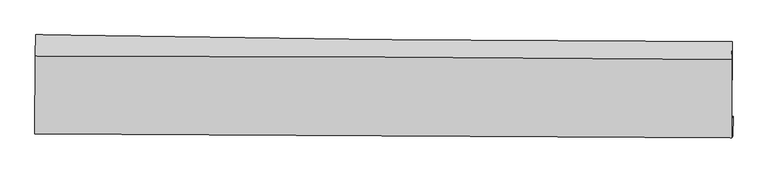
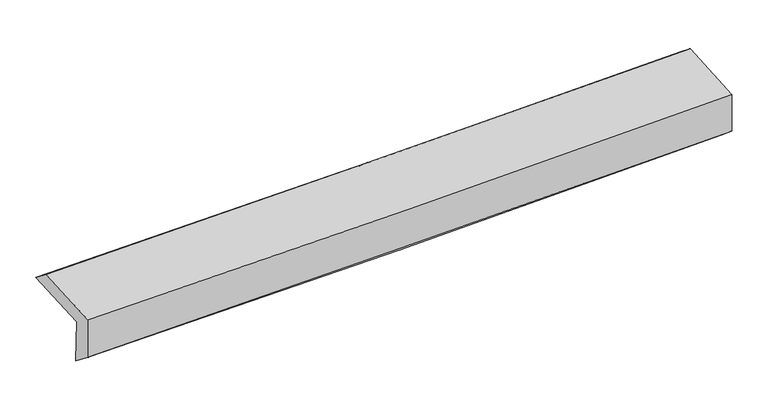
"""IFC4 building model written with IfcOpenShell, lengths in millimetres: proxy geometry."""

from ifc_helpers import new_model, si_unit, frame, origin, place, context, project, spatial, source, transform, mapped, element, save
from ifc_brep_helpers import plane_surface, spline_curve, spline_surface, advanced_brep


def generic_models_be3de0e1(model_context):
    return source(origin(), model_context, "Body", "AdvancedBrep", [
        advanced_brep(
        [(-3030.7342124, -1763.6261133, 1939.398087), (-3029.0234486, -1089.9232612, 1973.6542859), (3013.2465338, -1149.1686209, 2143.4541122), (3012.4033572, -1825.0941847, 2100.3857258), (-3020.4738994, -1733.1574389, 1529.7049298), (3022.3416091, -1797.7123036, 1703.3096743), (-3025.1147907, -1933.9730755, 1686.324129), (3018.1512039, -1971.4595021, 1852.2515688), (-3034.8455045, -1951.4194445, 2076.6268243), (3008.8490201, -1987.9777202, 2224.9521724), (-3033.3447832, -1275.4380249, 2119.7152122), (3009.5726438, -1307.4519292, 2273.3589429)],
        [
            (0, 1),
            (1, 2, spline_curve(3, [(-3029.0234486, -1089.9232612, 1973.6542859), (-2021.929124892, -1108.211375648, 1997.883149291), (-1014.861556674, -1122.292542957, 2024.147499294), (999.228438108, -1142.041066297, 2080.747407875), (2006.250863833, -1147.708352007, 2111.082999794), (3013.2465338, -1149.1686209, 2143.4541122)], [4, 2, 4], [0.0, 9.916887721703857, 19.833857852005107])),
            (2, 3),
            (3, 0, spline_curve(3, [(3012.4033572, -1825.0941847, 2100.3857258), (2005.323661075, -1825.66697435, 2066.434293627), (998.186922888, -1820.830986192, 2036.042900246), (-1016.192268052, -1800.341539341, 1982.380413119), (-2023.434719524, -1784.688170326, 1959.109260291), (-3030.7342124, -1763.6261133, 1939.398087)], [4, 2, 4], [0.0, 9.91697013030125, 19.833857852005107])),
            (4, 0),
            (3, 5),
            (5, 4, spline_curve(3, [(3022.3416091, -1797.7123036, 1703.3096743), (2015.320554519, -1798.463734694, 1666.947721259), (1008.239975794, -1793.459831677, 1634.299638203), (-1006.031861605, -1771.94144793, 1576.431451436), (-2013.223118894, -1755.427062551, 1551.211286738), (-3020.4738994, -1733.1574389, 1529.7049298)], [4, 2, 4], [0.0, 9.917613056969287, 19.835143699998554])),
            (6, 4),
            (5, 7),
            (7, 6, spline_curve(3, [(3018.1512039, -1971.4595021, 1852.2515688), (2011.041040444, -1966.371835426, 1819.228090111), (1003.878366263, -1960.704117781, 1788.889017749), (-1010.54363285, -1948.208632537, 1733.579915657), (-2017.802956908, -1941.380874842, 1708.609841315), (-3025.1147907, -1933.9730755, 1686.324129)], [4, 2, 4], [0.0, 9.917528517040939, 19.83497462084437])),
            (8, 6),
            (7, 9),
            (9, 8, spline_curve(3, [(3008.8490201, -1987.9777202, 2224.9521724), (2001.81400117, -1982.735371403, 2188.995067664), (994.653188401, -1977.067659569, 2158.656041447), (-1019.911655194, -1964.881560263, 2109.21435198), (-2027.315683909, -1958.363180336, 2090.111595626), (-3034.8455045, -1951.4194445, 2076.6268243)], [4, 2, 4], [0.0, 9.917523671870393, 19.834964930543542])),
            (10, 8),
            (9, 11),
            (11, 10, spline_curve(3, [(3009.5726438, -1307.4519292, 2273.3589429), (2002.640687256, -1298.128173617, 2238.530420999), (995.59616415, -1290.798467488, 2208.312481746), (-1018.70964682, -1280.127199451, 2157.097981648), (-2025.970932298, -1276.785603881, 2136.101344045), (-3033.3447832, -1275.4380249, 2119.7152122)], [4, 2, 4], [0.0, 9.917008203250216, 19.83393399758666])),
            (1, 10),
            (11, 2),
        ],
        [
            spline_surface(3, 3, [[(-3030.7342124, -1763.6261133, 1939.398087), (-2023.43471964, -1784.688170324, 1959.109260416), (-1016.192267997, -1800.341539247, 1982.380413134), (998.186922833, -1820.830986286, 2036.042900231), (2005.323661027, -1825.666974469, 2066.434293786), (3012.4033572, -1825.0941847, 2100.3857258)], [(-3030.163957786, -1539.058495961, 1950.816819968), (-2022.932854721, -1559.19590544, 1972.033890091), (-1015.748697514, -1574.325207189, 1996.302775244), (998.534094563, -1594.567679595, 2050.944402735), (2005.632728608, -1599.680766978, 2081.317195804), (3012.68441606, -1599.785663436, 2114.741854614)], [(-3029.593703214, -1314.490878539, 1962.235552932), (-2022.430989843, -1333.703640474, 1984.958519761), (-1015.305127052, -1348.308875114, 2010.225137335), (998.881266273, -1368.304372888, 2065.84590522), (2005.94179621, -1373.694559478, 2096.20009778), (3012.96547494, -1374.477142164, 2129.097983386)], [(-3029.0234486, -1089.9232612, 1973.6542859), (-2021.929124925, -1108.21137559, 1997.883149436), (-1014.861556569, -1122.292543056, 2024.147499445), (999.228438003, -1142.041066198, 2080.747407724), (2006.250863792, -1147.708351986, 2111.082999798), (3013.2465338, -1149.1686209, 2143.4541122)]], [4, 4], [4, 2, 4], [0.0, 2.2303045056175153], [0.0, 9.916887721703857, 19.833857852005107]),
            spline_surface(3, 3, [[(-3020.4738994, -1733.1574389, 1529.7049298), (-2013.223118796, -1755.427062441, 1551.211286659), (-1006.031861482, -1771.941447865, 1576.431451593), (1008.239975672, -1793.459831743, 1634.299638046), (2015.320554528, -1798.463734566, 1666.94772126), (3022.3416091, -1797.7123036, 1703.3096743)], [(-3023.894003731, -1743.313663674, 1666.26931554), (-2016.626985742, -1765.180765042, 1687.177277918), (-1009.418663633, -1781.408145001, 1711.747772121), (1004.88895808, -1802.583549932, 1768.214058788), (2011.988256713, -1807.531481196, 1800.109912096), (3019.028858485, -1806.839597295, 1835.668358127)], [(-3027.314108069, -1753.469888526, 1802.83370126), (-2020.030852694, -1774.934467722, 1823.143269157), (-1012.805465846, -1790.874842111, 1847.064092606), (1001.537940425, -1811.707268096, 1902.128479488), (2008.655958842, -1816.599227839, 1933.27210295), (3015.716107815, -1815.966891005, 1968.027041973)], [(-3030.7342124, -1763.6261133, 1939.398087), (-2023.43471964, -1784.688170324, 1959.109260416), (-1016.192267997, -1800.341539247, 1982.380413134), (998.186922833, -1820.830986286, 2036.042900231), (2005.323661027, -1825.666974469, 2066.434293786), (3012.4033572, -1825.0941847, 2100.3857258)]], [4, 4], [4, 2, 4], [0.0, 1.3285231251288763], [0.0, 9.917530643029266, 19.835143699998554]),
            spline_surface(3, 3, [[(-3025.1147907, -1933.9730755, 1686.324129), (-2017.802956961, -1941.380874687, 1708.609841478), (-1010.54363283, -1948.208632584, 1733.579915714), (1003.878366243, -1960.704117734, 1788.889017692), (2011.041040311, -1966.371835418, 1819.228090073), (3018.1512039, -1971.4595021, 1852.2515688)], [(-3023.567826934, -1867.034529965, 1634.11772926), (-2016.27634424, -1879.396270603, 1656.143656532), (-1009.039709072, -1889.452904329, 1681.197094319), (1005.332236028, -1904.956022388, 1737.359224455), (2012.467545048, -1910.402468483, 1768.467967147), (3019.548005631, -1913.543769282, 1802.604270645)], [(-3022.020863166, -1800.095984435, 1581.91132954), (-2014.749731517, -1817.411666524, 1603.677471605), (-1007.53578524, -1830.69717612, 1628.814272989), (1006.786105888, -1849.207927088, 1685.829431283), (2013.894049792, -1854.433101502, 1717.707844186), (3020.944807369, -1855.628036418, 1752.956972455)], [(-3020.4738994, -1733.1574389, 1529.7049298), (-2013.223118796, -1755.427062441, 1551.211286659), (-1006.031861482, -1771.941447865, 1576.431451593), (1008.239975672, -1793.459831743, 1634.299638046), (2015.320554528, -1798.463734566, 1666.94772126), (3022.3416091, -1797.7123036, 1703.3096743)]], [4, 4], [4, 2, 4], [0.0, 0.7610899537298015], [0.0, 9.917446103803432, 19.83497462084437]),
            spline_surface(3, 3, [[(-3034.8455045, -1951.4194445, 2076.6268243), (-2027.315683811, -1958.363180388, 2090.111595518), (-1019.911655216, -1964.881560428, 2109.214352042), (994.653188423, -1977.067659404, 2158.656041385), (2001.814001331, -1982.73537125, 2188.995067534), (3008.8490201, -1987.9777202, 2224.9521724)], [(-3031.601933227, -1945.603988177, 1946.525925881), (-2024.144774855, -1952.702411832, 1962.944344186), (-1016.788981083, -1959.323917829, 1984.002873275), (997.728247701, -1971.613145529, 2035.40036683), (2004.889680983, -1977.280859286, 2065.739408373), (3011.949748025, -1982.471647479, 2100.718637859)], [(-3028.358361973, -1939.788531823, 1816.425027419), (-2020.973865917, -1947.041643243, 1835.77709281), (-1013.666306963, -1953.766275184, 1858.791394481), (1000.803306965, -1966.158631609, 1912.144692248), (2007.96536066, -1971.826347383, 1942.483749234), (3015.050475975, -1976.965574821, 1976.485103341)], [(-3025.1147907, -1933.9730755, 1686.324129), (-2017.802956961, -1941.380874687, 1708.609841478), (-1010.54363283, -1948.208632584, 1733.579915714), (1003.878366243, -1960.704117734, 1788.889017692), (2011.041040311, -1966.371835418, 1819.228090073), (3018.1512039, -1971.4595021, 1852.2515688)]], [4, 4], [4, 2, 4], [0.0, 1.224351666857998], [0.0, 9.917441258673149, 19.834964930543542]),
            spline_surface(3, 3, [[(-3033.3447832, -1275.4380249, 2119.7152122), (-2025.970932451, -1276.785603803, 2136.101343912), (-1018.709646774, -1280.127199321, 2157.097981558), (995.596164105, -1290.798467618, 2208.312481836), (2002.640687412, -1298.128173526, 2238.530421082), (3009.5726438, -1307.4519292, 2273.3589429)], [(-3033.845023633, -1500.765164761, 2105.352416233), (-2026.419182904, -1503.978129326, 2120.771427781), (-1019.110316263, -1508.378653039, 2141.136771713), (995.281838869, -1519.554864896, 2191.760335013), (2002.365125393, -1526.330572764, 2222.018636575), (3009.331435908, -1534.293859531, 2257.223352743)], [(-3034.345264067, -1726.092304639, 2090.989620267), (-2026.867433358, -1731.170654865, 2105.441511649), (-1019.510985727, -1736.630106709, 2125.175561887), (994.967513659, -1748.311262126, 2175.208188208), (2002.08956335, -1754.532972012, 2205.50685204), (3009.090227992, -1761.135789869, 2241.087762557)], [(-3034.8455045, -1951.4194445, 2076.6268243), (-2027.315683811, -1958.363180388, 2090.111595518), (-1019.911655216, -1964.881560428, 2109.214352042), (994.653188423, -1977.067659404, 2158.656041385), (2001.814001331, -1982.73537125, 2188.995067534), (3008.8490201, -1987.9777202, 2224.9521724)]], [4, 4], [4, 2, 4], [0.0, 2.2547417244797345], [0.0, 9.916925794336443, 19.83393399758666]),
            spline_surface(3, 3, [[(-3029.0234486, -1089.9232612, 1973.6542859), (-2021.929124925, -1108.21137559, 1997.883149436), (-1014.861556569, -1122.292543056, 2024.147499445), (999.228438003, -1142.041066198, 2080.747407724), (2006.250863792, -1147.708351986, 2111.082999798), (3013.2465338, -1149.1686209, 2143.4541122)], [(-3030.463893488, -1151.761515762, 2022.341261317), (-2023.276394122, -1164.40278499, 2043.955880912), (-1016.144253303, -1174.904095114, 2068.464326815), (998.017680039, -1191.626866641, 2123.269099093), (2005.047471657, -1197.848292509, 2153.565473538), (3012.021903792, -1201.929723677, 2186.755722412)], [(-3031.904338312, -1213.599770338, 2071.028236783), (-2024.623663254, -1220.594194404, 2090.028612437), (-1017.42695004, -1227.515647263, 2112.781154188), (996.806922069, -1241.212667175, 2165.790790467), (2003.844079547, -1247.988233002, 2196.047947341), (3010.797273808, -1254.690826423, 2230.057332688)], [(-3033.3447832, -1275.4380249, 2119.7152122), (-2025.970932451, -1276.785603803, 2136.101343912), (-1018.709646774, -1280.127199321, 2157.097981558), (995.596164105, -1290.798467618, 2208.312481836), (2002.640687412, -1298.128173526, 2238.530421082), (3009.5726438, -1307.4519292, 2273.3589429)]], [4, 4], [4, 2, 4], [0.0, 0.6600992205228491], [0.0, 9.91625272429529, 19.832587851911192]),
            plane_surface(frame((3014.0940613, -1673.1440435, 2049.6186994), z_axis=(0.9996877924072605, -0.0028288853835880955, 0.02482569474123019), x_axis=(0.02492663951563967, 0.04426311923951616, -0.9987088859711051))),
            plane_surface(frame((-3028.9227732, -1624.5895597, 1887.570578), z_axis=(-0.9996863699328606, 0.003797212785865506, -0.024753645095596997), x_axis=(-0.002536060290471936, -0.9987065485662258, -0.05078186929544808))),
        ],
        [
            (0, [[1, 2, 3, 4]]),
            (1, [[5, -4, 6, 7]]),
            (2, [[8, -7, 9, 10]]),
            (3, [[11, -10, 12, 13]]),
            (4, [[14, -13, 15, 16]]),
            (5, [[17, -16, 18, -2]]),
            (6, [[-12, -9, -6, -3, -18, -15]]),
            (7, [[-1, -5, -8, -11, -14, -17]]),
        ],
    ),
    ])


if __name__ == "__main__":
    model = new_model("IFC4")
    model_context = context("Model", 3, world=origin())
    ifc_project = project(units=[si_unit("LENGTHUNIT", "METRE", prefix="MILLI")], contexts=[model_context])
    site = spatial("IfcSite", under=ifc_project)
    building = spatial("IfcBuilding", under=site)
    placement = place(None, origin())
    generic_models_shape = generic_models_be3de0e1(model_context)
    element("IfcBuildingElementProxy", 1, Name="Generic Models", at=placement, inside=building, context=model_context, shape_type="MappedRepresentation", body=[
        mapped(generic_models_shape, transform((0.0, 0.0, 0.0), x_axis=(1.0, 0.0, 0.0), y_axis=(0.0, 1.0, 0.0), z_axis=(0.0, 0.0, 1.0))),
    ])
    save(model, "model.ifc")
